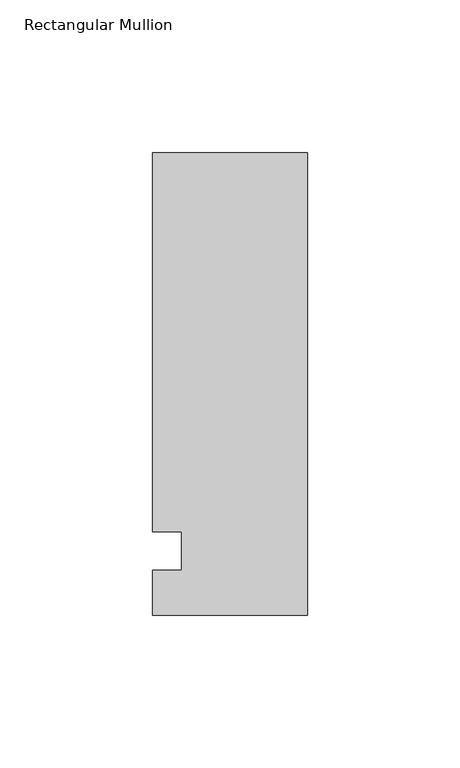
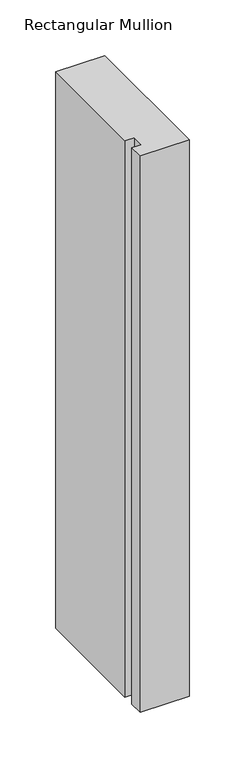
"""IFC4 building model written with IfcOpenShell, lengths in millimetres: member geometry, Rectangular Mullion."""

from ifc_helpers import new_model, si_unit, frame, origin, place, context, project, spatial, polyline, outline, extrude, source, transform, mapped, element, save


def rectangular_mullion_3d5fbf43(model_context):
    return source(origin(), model_context, "Body", "SweptSolid", [
        extrude(outline(polyline([(-50.8, -25.7961253), (-50.8, -11.1125), (-41.275, -11.1125), (-41.275, 1.5875), (-50.8, 1.5875), (-50.8, 125.8036906), (0.0, 125.8036906), (0.0, -25.7961253), (-50.8, -25.7961253)])), frame((0.0, 0.0, -609.6), z_axis=(0.0, 0.0, 1.0), x_axis=(1.0, 0.0, 0.0)), (0.0, 0.0, 1.0), 609.6),
    ])


if __name__ == "__main__":
    model = new_model("IFC4")
    model_context = context("Model", 3, world=origin())
    ifc_project = project(units=[si_unit("LENGTHUNIT", "METRE", prefix="MILLI")], contexts=[model_context])
    site = spatial("IfcSite", under=ifc_project)
    building = spatial("IfcBuilding", under=site)
    placement = place(None, origin())
    rectangular_mullion_shape = rectangular_mullion_3d5fbf43(model_context)
    element("IfcMember", 1, ObjectType="Rectangular Mullion", at=placement, inside=building, context=model_context, shape_type="MappedRepresentation", body=[
        mapped(rectangular_mullion_shape, transform((0.0, 0.0, 0.0), x_axis=(1.0, 0.0, 0.0), y_axis=(0.0, 1.0, 0.0), z_axis=(0.0, 0.0, 1.0))),
    ])
    save(model, "model.ifc")
